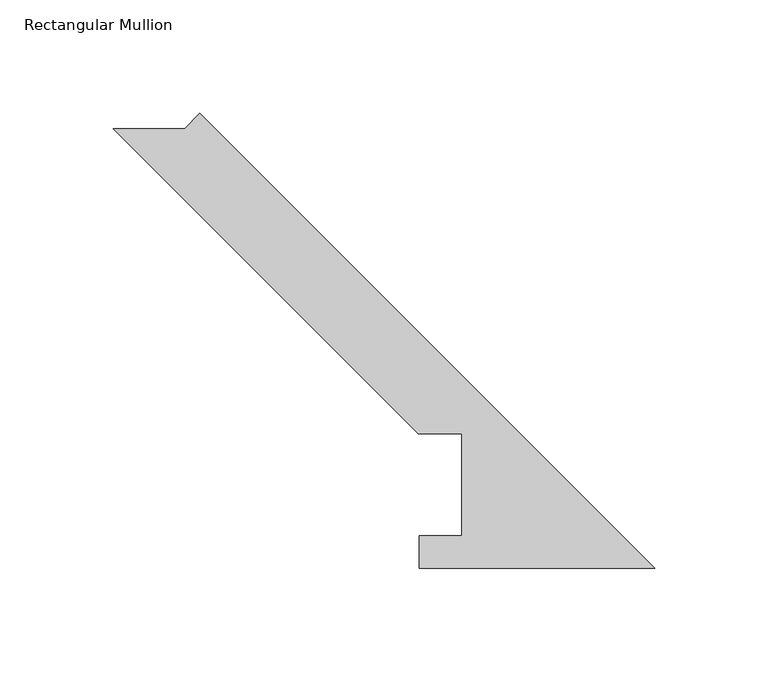
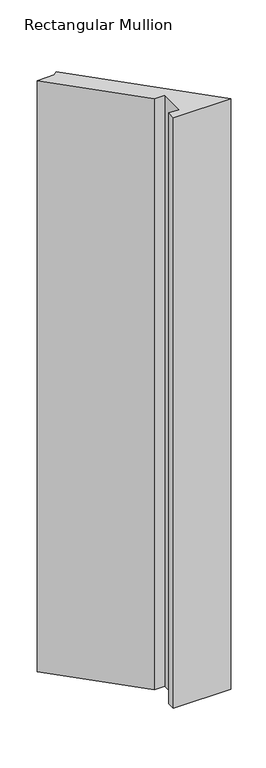
"""IFC4 building model written with IfcOpenShell, lengths in millimetres: member geometry, Rectangular Mullion."""

from ifc_helpers import new_model, si_unit, frame, origin, place, context, project, spatial, polyline, outline, extrude, source, transform, mapped, element, save


def rectangular_mullion_5848ba2e(model_context):
    return source(origin(), model_context, "Body", "SweptSolid", [
        extrude(outline(polyline([(-207.3388849, 194.0554867), (-200.6036928, 200.7906788), (0.0, 0.186986), (-103.8932205, 0.186986), (-103.8932205, 14.436386), (-85.1955446, 14.436386), (-85.1955446, 59.53125), (-104.2455446, 59.53125), (-238.7697813, 194.0554867), (-207.3388849, 194.0554867)])), frame((0.0, 0.0, -1130.3), z_axis=(0.0, 0.0, 1.0), x_axis=(1.0, 0.0, 0.0)), (0.0, 0.0, 1.0), 1130.3),
    ])


if __name__ == "__main__":
    model = new_model("IFC4")
    model_context = context("Model", 3, world=origin())
    ifc_project = project(units=[si_unit("LENGTHUNIT", "METRE", prefix="MILLI")], contexts=[model_context])
    site = spatial("IfcSite", under=ifc_project)
    building = spatial("IfcBuilding", under=site)
    placement = place(None, origin())
    rectangular_mullion_shape = rectangular_mullion_5848ba2e(model_context)
    element("IfcMember", 1, ObjectType="Rectangular Mullion", at=placement, inside=building, context=model_context, shape_type="MappedRepresentation", body=[
        mapped(rectangular_mullion_shape, transform((0.0, 0.0, 0.0), x_axis=(1.0, 0.0, 0.0), y_axis=(0.0, 1.0, 0.0), z_axis=(0.0, 0.0, 1.0))),
    ])
    save(model, "model.ifc")
